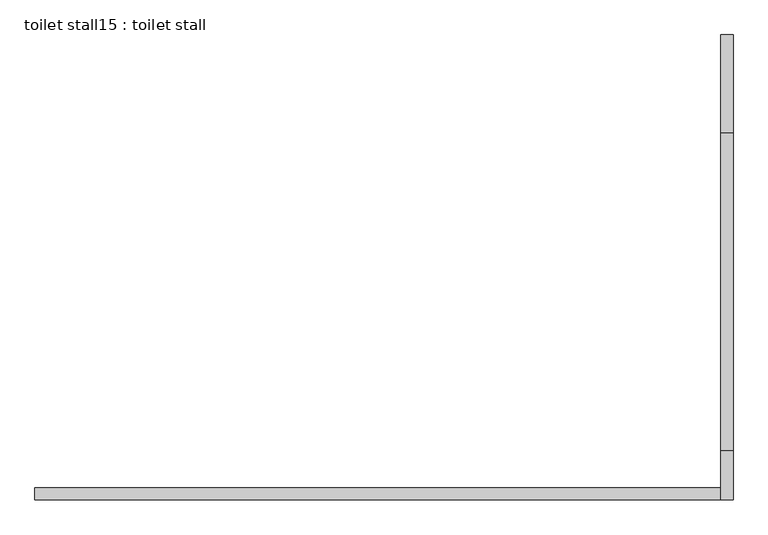
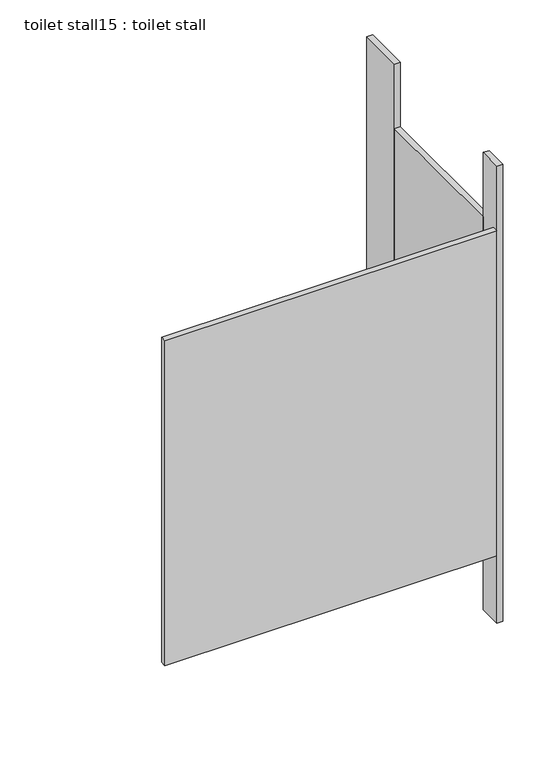
"""IFC4 building model written with IfcOpenShell, lengths in millimetres: proxy geometry, toilet stall15 : toilet stall."""

from ifc_helpers import new_model, si_unit, frame, origin, origin_with_axes, place, context, project, spatial, polyline, outline, extrude, source, transform, mapped, element, save


def toilet_stall15_toilet_stall_ed94d702(model_context):
    return source(origin(), model_context, "Body", "SweptSolid", [
        extrude(outline(polyline([(458207.8504676, -269896.4113632), (458207.8504676, -269693.2113632), (458233.2504676, -269693.2113632), (458233.2504676, -269896.4113632), (458207.8504676, -269896.4113632)])), origin_with_axes(), (0.0, 0.0, 1.0), 2070.1),
        extrude(outline(polyline([(458207.8504676, -270658.4113632), (458207.8504676, -270556.8113632), (458233.2504676, -270556.8113632), (458233.2504676, -270658.4113632), (458207.8504676, -270658.4113632)])), origin_with_axes(), (0.0, 0.0, 1.0), 2070.1),
        extrude(outline(polyline([(458207.8504676, -270658.4113632), (456785.4504676, -270658.4113632), (456785.4504676, -270633.0113632), (458207.8504676, -270633.0113632), (458207.8504676, -270658.4113632)])), frame((0.0, 0.0, 304.8), z_axis=(0.0, 0.0, 1.0), x_axis=(1.0, 0.0, 0.0)), (0.0, 0.0, 1.0), 1473.2),
        extrude(outline(polyline([(458207.8504676, -270556.8113632), (458207.8504676, -269896.4113632), (458233.2504676, -269896.4113632), (458233.2504676, -270556.8113632), (458207.8504676, -270556.8113632)])), frame((0.0, 0.0, 304.8), z_axis=(0.0, 0.0, 1.0), x_axis=(1.0, 0.0, 0.0)), (0.0, 0.0, 1.0), 1473.2),
    ])


if __name__ == "__main__":
    model = new_model("IFC4")
    model_context = context("Model", 3, world=origin())
    ifc_project = project(units=[si_unit("LENGTHUNIT", "METRE", prefix="MILLI")], contexts=[model_context])
    site = spatial("IfcSite", under=ifc_project)
    building = spatial("IfcBuilding", under=site)
    placement = place(None, origin())
    toilet_stall15_toilet_stall_shape = toilet_stall15_toilet_stall_ed94d702(model_context)
    element("IfcBuildingElementProxy", 1, Name="toilet stall15 : toilet stall", ObjectType="toilet stall15 : toilet stall", at=placement, inside=building, context=model_context, shape_type="MappedRepresentation", body=[
        mapped(toilet_stall15_toilet_stall_shape, transform((0.0, 0.0, 0.0), x_axis=(1.0, 0.0, 0.0), y_axis=(0.0, 1.0, 0.0), z_axis=(0.0, 0.0, 1.0))),
    ])
    save(model, "model.ifc")
